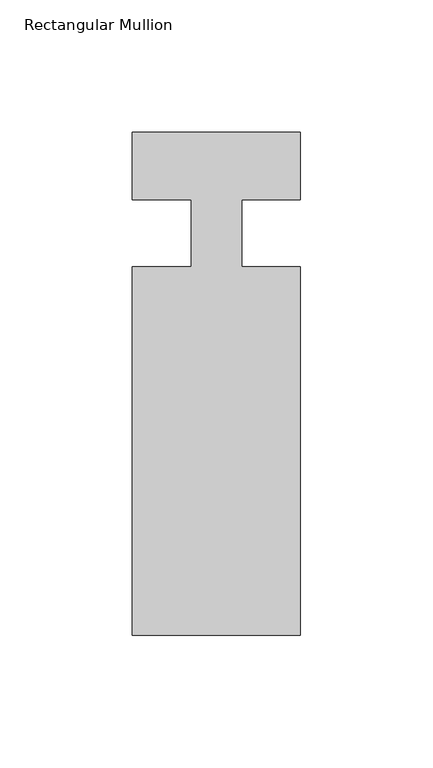
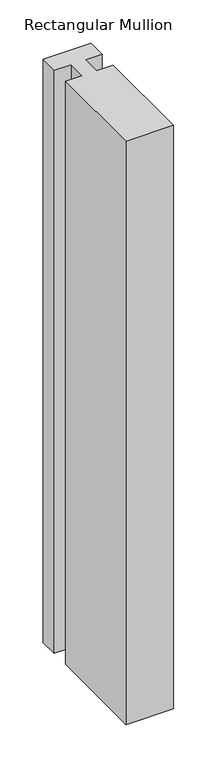
"""IFC4 building model written with IfcOpenShell, lengths in millimetres: member geometry, Rectangular Mullion."""

from ifc_helpers import new_model, si_unit, frame, origin, place, context, project, spatial, polyline, outline, extrude, source, transform, mapped, element, save


def rectangular_mullion_7ff4feb3(model_context):
    return source(origin(), model_context, "Body", "SweptSolid", [
        extrude(outline(polyline([(-31.75, -183.6539062), (-31.75, -44.4619062), (-9.5251132, -44.4619062), (-9.5251132, -19.0455949), (-31.75, -19.0455949), (-31.75, 6.3380937), (31.75, 6.3380938), (31.75, -19.0314298), (9.525, -19.0314298), (9.525, -44.4619062), (31.75, -44.4619062), (31.75, -183.6539062), (-31.75, -183.6539062)])), frame((0.0, 0.0, -819.1500061), z_axis=(0.0, 0.0, 1.0), x_axis=(1.0, 0.0, 0.0)), (0.0, 0.0, 1.0), 819.1500061),
    ])


if __name__ == "__main__":
    model = new_model("IFC4")
    model_context = context("Model", 3, world=origin())
    ifc_project = project(units=[si_unit("LENGTHUNIT", "METRE", prefix="MILLI")], contexts=[model_context])
    site = spatial("IfcSite", under=ifc_project)
    building = spatial("IfcBuilding", under=site)
    placement = place(None, origin())
    rectangular_mullion_shape = rectangular_mullion_7ff4feb3(model_context)
    element("IfcMember", 1, ObjectType="Rectangular Mullion", at=placement, inside=building, context=model_context, shape_type="MappedRepresentation", body=[
        mapped(rectangular_mullion_shape, transform((0.0, 0.0, 0.0), x_axis=(1.0, 0.0, 0.0), y_axis=(0.0, 1.0, 0.0), z_axis=(0.0, 0.0, 1.0))),
    ])
    save(model, "model.ifc")
